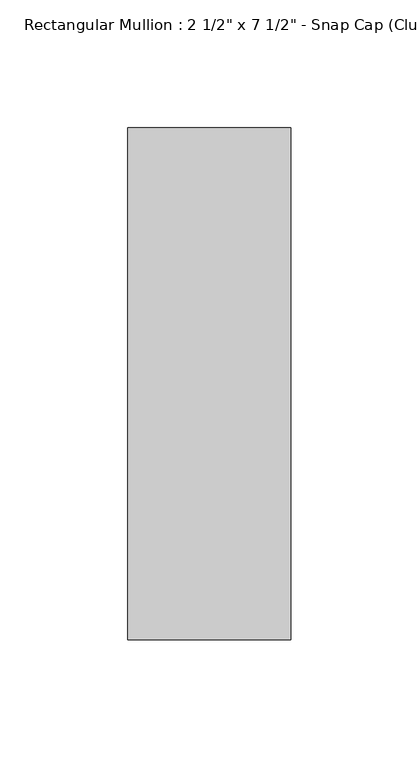
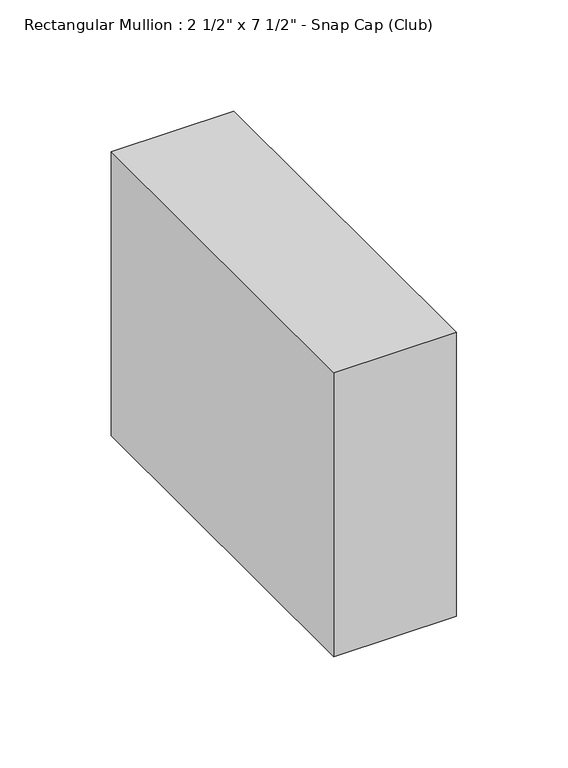
"""IFC4 building model written with IfcOpenShell, lengths in millimetres: member geometry."""

from ifc_helpers import new_model, si_unit, frame, origin, place, context, project, spatial, polyline, outline, extrude, source, transform, mapped, element, save


def member_0b9f2bf7(model_context):
    return source(origin(), model_context, "Body", "SweptSolid", [
        extrude(outline(polyline([(31.75, 25.8), (31.75, -174.2), (-31.75, -174.2), (-31.75, 25.8), (31.75, 25.8)])), frame((0.0, 0.0, -155.6348417), z_axis=(0.0, 0.0, 1.0), x_axis=(1.0, 0.0, 0.0)), (0.0, 0.0, 1.0), 155.6348417),
    ])


if __name__ == "__main__":
    model = new_model("IFC4")
    model_context = context("Model", 3, world=origin())
    ifc_project = project(units=[si_unit("LENGTHUNIT", "METRE", prefix="MILLI")], contexts=[model_context])
    site = spatial("IfcSite", under=ifc_project)
    building = spatial("IfcBuilding", under=site)
    placement = place(None, origin())
    member_shape = member_0b9f2bf7(model_context)
    element("IfcMember", 1, ObjectType="Rectangular Mullion : 2 1/2\" x 7 1/2\" - Snap Cap (Club)", at=placement, inside=building, context=model_context, shape_type="MappedRepresentation", body=[
        mapped(member_shape, transform((0.0, 0.0, 0.0), x_axis=(1.0, 0.0, 0.0), y_axis=(0.0, 1.0, 0.0), z_axis=(0.0, 0.0, 1.0))),
    ])
    save(model, "model.ifc")
